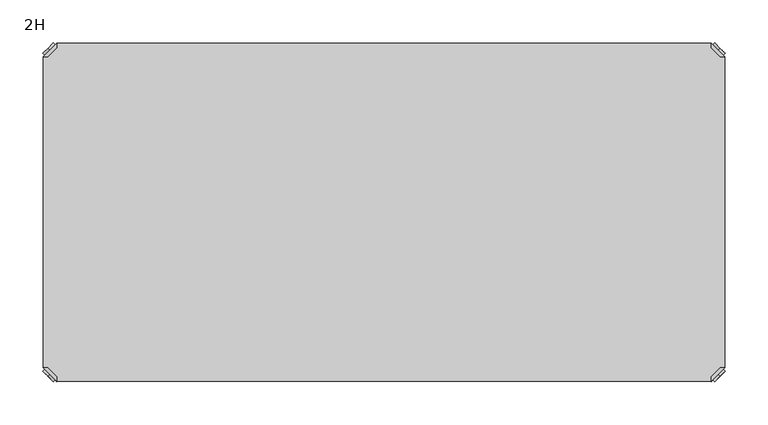
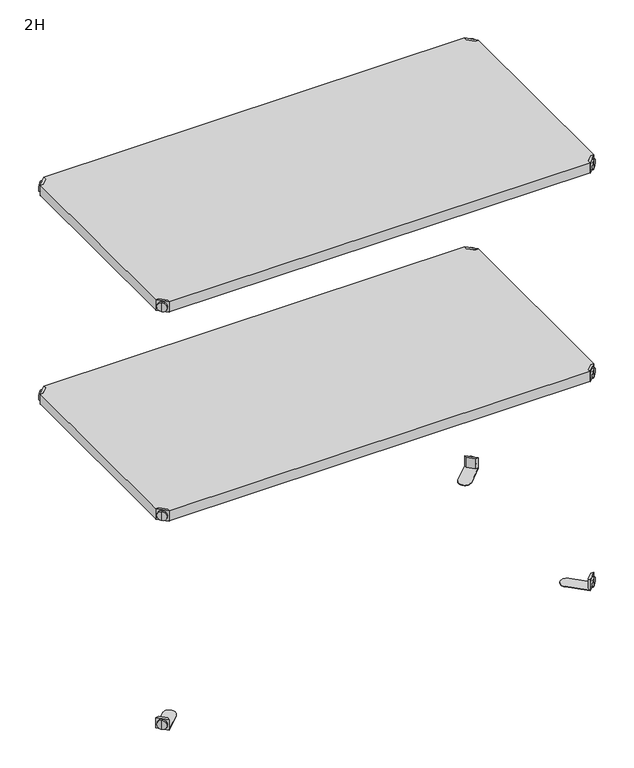
"""IFC4 building model written with IfcOpenShell, lengths in millimetres: furniture geometry, 2H."""

from ifc_helpers import new_model, si_unit, frame, origin, place, context, project, spatial, polyline, circle_curve, outline, extrude, source, transform, mapped, element, save
from ifc_brep_helpers import plane_surface, cylinder_surface, advanced_brep


def furniture_2h_59649669(model_context):
    return source(origin(), model_context, "Body", "SolidModel", [
        advanced_brep(
        [(789.0398449, -10.9601551, 498.5), (789.0398449, -10.9601551, 507.0), (789.0398449, -10.9601551, 515.5), (791.1611652, -8.8388348, 498.5), (791.1611652, -8.8388348, 515.5), (791.1611652, -8.8388348, 507.0)],
        [
            (0, 1),
            (1, 2),
            (2, 0, circle_curve(frame((789.0398449, -10.9601551, 507.0), z_axis=(-0.7071067811865556, -0.7071067811865395, 0.0), x_axis=(0.0, 0.0, 1.0)), 8.5)),
            (0, 2, circle_curve(frame((789.0398449, -10.9601551, 507.0), z_axis=(-0.7071067811865556, -0.7071067811865395, 0.0), x_axis=(0.0, 0.0, 1.0)), 8.5)),
            (3, 0),
            (2, 4),
            (4, 3, circle_curve(frame((791.1611652, -8.8388348, 507.0), z_axis=(-0.7071067811865556, -0.7071067811865395, 0.0), x_axis=(0.0, 0.0, 1.0)), 8.5)),
            (3, 4, circle_curve(frame((791.1611652, -8.8388348, 507.0), z_axis=(-0.7071067811865556, -0.7071067811865395, 0.0), x_axis=(0.0, 0.0, 1.0)), 8.5)),
            (5, 3),
            (4, 5),
        ],
        [
            plane_surface(frame((789.0398449, -10.9601551, 507.0), z_axis=(-0.7071067811865552, -0.7071067811865399, 0.0), x_axis=(0.0, 0.0, 1.0))),
            cylinder_surface(frame((791.1611652, -8.8388348, 507.0), z_axis=(0.7071067811865556, 0.7071067811865395, 0.0), x_axis=(0.0, 0.0, 1.0)), 8.5),
            plane_surface(frame((791.1611652, -8.8388348, 507.0), z_axis=(0.7071067811865552, 0.7071067811865399, 0.0), x_axis=(0.0, 0.0, 1.0))),
        ],
        [
            (0, [[1, 2, 3]]),
            (0, [[-2, -1, 4]]),
            (1, [[5, -3, 6, 7]]),
            (1, [[-6, -4, -5, 8]]),
            (2, [[9, -7, 10]]),
            (2, [[-10, -8, -9]]),
        ],
    ),
        advanced_brep(
        [(781.0796898, -3.0, 517.0), (781.0796898, -8.6568542, 517.0), (791.3431458, -18.9203102, 517.0), (797.0, -18.9203102, 517.0), (797.0, -18.9203102, 498.0), (797.0, -18.9203102, 497.0), (781.0796898, -3.0, 497.0), (781.0796898, -3.0, 498.0), (781.0796898, -8.6568542, 498.0), (791.3431458, -18.9203102, 498.0), (752.2702923, -31.8093975, 498.0), (768.1906025, -47.7297077, 498.0), (768.1906025, -47.7297077, 497.0), (752.2702923, -31.8093975, 497.0)],
        [
            (0, 1),
            (1, 2),
            (2, 3),
            (3, 0),
            (3, 4),
            (4, 5),
            (5, 6),
            (6, 7),
            (7, 0),
            (1, 8),
            (8, 9),
            (9, 2),
            (7, 8),
            (9, 4),
            (7, 10),
            (10, 11, circle_curve(frame((760.2304474, -39.7695526, 498.0), z_axis=(0.0, 0.0, 1.0), x_axis=(-1.0, 0.0, 0.0)), 11.2573593)),
            (11, 4),
            (5, 12),
            (12, 13, circle_curve(frame((760.2304474, -39.7695526, 497.0), z_axis=(0.0, 0.0, -1.0), x_axis=(-1.0, 0.0, 0.0)), 11.2573593)),
            (13, 6),
            (11, 12),
            (10, 13),
        ],
        [
            plane_surface(frame((838.8756299, -60.7959401, 517.0), z_axis=(0.0, 0.0, 1.0000000000000002), x_axis=(0.7071067811865465, -0.7071067811865487, 0.0))),
            plane_surface(frame((781.0796898, -3.0, 517.0), z_axis=(0.7071067811865487, 0.7071067811865465, 0.0), x_axis=(0.0, 0.0, -1.0))),
            plane_surface(frame((791.3431458, -18.9203102, 517.0), z_axis=(-0.7071067811865573, -0.7071067811865377, 0.0), x_axis=(0.0, 0.0, -1.0))),
            plane_surface(frame((781.0796898, -8.6568542, 517.0), z_axis=(-1.0, 0.0, 0.0), x_axis=(0.0, 0.0, -1.0))),
            plane_surface(frame((797.0, -18.9203102, 517.0), z_axis=(0.0, -1.0, 0.0), x_axis=(0.0, 0.0, -1.0))),
            plane_surface(frame((797.0, -18.9203102, 498.0), z_axis=(0.0, 0.0, 1.0), x_axis=(0.7071067811865392, -0.7071067811865558, 0.0))),
            plane_surface(frame((797.0, -18.9203102, 497.0), z_axis=(0.0, 0.0, -1.0), x_axis=(-0.7071067811865392, 0.7071067811865558, 0.0))),
            plane_surface(frame((797.0, -18.9203102, 498.0), z_axis=(0.7071067811865399, -0.7071067811865552, 0.0), x_axis=(0.0, 0.0, -1.0))),
            cylinder_surface(frame((760.2304474, -39.7695526, 497.0), z_axis=(0.0, 0.0, 1.0), x_axis=(-1.0, 0.0, 0.0)), 11.2573593),
            plane_surface(frame((752.2702923, -31.8093975, 498.0), z_axis=(-0.7071067811865388, 0.7071067811865563, 0.0), x_axis=(0.0, 0.0, -1.0))),
        ],
        [
            (0, [[1, 2, 3, 4]]),
            (1, [[5, 6, 7, 8, 9, -4]]),
            (2, [[10, 11, 12, -2]]),
            (3, [[-9, 13, -10, -1]]),
            (4, [[-12, 14, -5, -3]]),
            (5, [[-14, -11, -13, 15, 16, 17]]),
            (6, [[-7, 18, 19, 20]]),
            (7, [[21, -18, -6, -17]]),
            (8, [[22, -19, -21, -16]]),
            (9, [[-8, -20, -22, -15]]),
        ],
    ),
        advanced_brep(
        [(789.0398449, -389.0398449, 498.5), (789.0398449, -389.0398449, 515.5), (789.0398449, -389.0398449, 507.0), (791.1611652, -391.1611652, 498.5), (791.1611652, -391.1611652, 515.5), (791.1611652, -391.1611652, 507.0)],
        [
            (0, 1, circle_curve(frame((789.0398449, -389.0398449, 507.0), z_axis=(-0.7071067811865509, 0.7071067811865441, 0.0), x_axis=(0.0, 0.0, 1.0)), 8.5)),
            (1, 2),
            (2, 0),
            (1, 0, circle_curve(frame((789.0398449, -389.0398449, 507.0), z_axis=(-0.7071067811865509, 0.7071067811865441, 0.0), x_axis=(0.0, 0.0, 1.0)), 8.5)),
            (3, 4, circle_curve(frame((791.1611652, -391.1611652, 507.0), z_axis=(-0.7071067811865509, 0.7071067811865441, 0.0), x_axis=(0.0, 0.0, 1.0)), 8.5)),
            (4, 1),
            (0, 3),
            (4, 3, circle_curve(frame((791.1611652, -391.1611652, 507.0), z_axis=(-0.7071067811865509, 0.7071067811865441, 0.0), x_axis=(0.0, 0.0, 1.0)), 8.5)),
            (5, 4),
            (3, 5),
        ],
        [
            plane_surface(frame((789.0398449, -389.0398449, 507.0), z_axis=(-0.7071067811865506, 0.7071067811865446, 0.0), x_axis=(0.0, 0.0, 1.0))),
            cylinder_surface(frame((791.1611652, -391.1611652, 507.0), z_axis=(0.7071067811865509, -0.7071067811865441, 0.0), x_axis=(0.0, 0.0, 1.0)), 8.5),
            plane_surface(frame((791.1611652, -391.1611652, 507.0), z_axis=(0.7071067811865506, -0.7071067811865446, 0.0), x_axis=(0.0, 0.0, 1.0))),
        ],
        [
            (0, [[1, 2, 3]]),
            (0, [[4, -3, -2]]),
            (1, [[5, 6, -1, 7]]),
            (1, [[8, -7, -4, -6]]),
            (2, [[9, -5, 10]]),
            (2, [[-10, -8, -9]]),
        ],
    ),
        advanced_brep(
        [(781.0796898, -397.0, 517.0), (797.0, -381.0796898, 517.0), (791.3431458, -381.0796898, 517.0), (781.0796898, -391.3431458, 517.0), (781.0796898, -397.0, 498.0), (781.0796898, -397.0, 497.0), (797.0, -381.0796898, 497.0), (797.0, -381.0796898, 498.0), (791.3431458, -381.0796898, 498.0), (781.0796898, -391.3431458, 498.0), (768.1906025, -352.2702923, 498.0), (752.2702923, -368.1906025, 498.0), (752.2702923, -368.1906025, 497.0), (768.1906025, -352.2702923, 497.0)],
        [
            (0, 1),
            (1, 2),
            (2, 3),
            (3, 0),
            (0, 4),
            (4, 5),
            (5, 6),
            (6, 7),
            (7, 1),
            (2, 8),
            (8, 9),
            (9, 3),
            (9, 4),
            (7, 8),
            (7, 10),
            (10, 11, circle_curve(frame((760.2304474, -360.2304474, 498.0), z_axis=(0.0, 0.0, 1.0), x_axis=(-1.0, 0.0, 0.0)), 11.2573593)),
            (11, 4),
            (5, 12),
            (12, 13, circle_curve(frame((760.2304474, -360.2304474, 497.0), z_axis=(0.0, 0.0, -1.0), x_axis=(-1.0, 0.0, 0.0)), 11.2573593)),
            (13, 6),
            (13, 10),
            (12, 11),
        ],
        [
            plane_surface(frame((838.8756299, -339.2040599, 517.0), z_axis=(0.0, 0.0, 1.0000000000000002), x_axis=(0.7071067811865511, 0.707106781186544, 0.0))),
            plane_surface(frame((781.0796898, -397.0, 517.0), z_axis=(0.707106781186544, -0.7071067811865511, 0.0), x_axis=(0.0, 0.0, -1.0))),
            plane_surface(frame((791.3431458, -381.0796898, 517.0), z_axis=(-0.7071067811865527, 0.7071067811865424, 0.0), x_axis=(0.0, 0.0, -1.0))),
            plane_surface(frame((781.0796898, -391.3431458, 517.0), z_axis=(-1.0, 0.0, 0.0), x_axis=(0.0, 0.0, -1.0))),
            plane_surface(frame((797.0, -381.0796898, 517.0), z_axis=(0.0, 1.0, 0.0), x_axis=(0.0, 0.0, -1.0))),
            plane_surface(frame((797.0, -381.0796898, 498.0), z_axis=(0.0, 0.0, 1.0), x_axis=(0.7071067811865439, 0.7071067811865511, 0.0))),
            plane_surface(frame((797.0, -381.0796898, 497.0), z_axis=(0.0, 0.0, -1.0), x_axis=(-0.7071067811865439, -0.7071067811865511, 0.0))),
            plane_surface(frame((797.0, -381.0796898, 498.0), z_axis=(0.7071067811865446, 0.7071067811865506, 0.0), x_axis=(0.0, 0.0, -1.0))),
            cylinder_surface(frame((760.2304474, -360.2304474, 497.0), z_axis=(0.0, 0.0, 1.0), x_axis=(-1.0, 0.0, 0.0)), 11.2573593),
            plane_surface(frame((752.2702923, -368.1906025, 498.0), z_axis=(-0.7071067811865435, -0.7071067811865517, 0.0), x_axis=(0.0, 0.0, -1.0))),
        ],
        [
            (0, [[1, 2, 3, 4]]),
            (1, [[-1, 5, 6, 7, 8, 9]]),
            (2, [[-3, 10, 11, 12]]),
            (3, [[-4, -12, 13, -5]]),
            (4, [[-2, -9, 14, -10]]),
            (5, [[15, 16, 17, -13, -11, -14]]),
            (6, [[18, 19, 20, -7]]),
            (7, [[-15, -8, -20, 21]]),
            (8, [[-16, -21, -19, 22]]),
            (9, [[-17, -22, -18, -6]]),
        ],
    ),
        advanced_brep(
        [(10.9601551, -389.0398449, 498.5), (10.9601551, -389.0398449, 507.0), (10.9601551, -389.0398449, 515.5), (8.8388348, -391.1611652, 498.5), (8.8388348, -391.1611652, 515.5), (8.8388348, -391.1611652, 507.0)],
        [
            (0, 1),
            (1, 2),
            (2, 0, circle_curve(frame((10.9601551, -389.0398449, 507.0), z_axis=(0.7071067811865509, 0.7071067811865441, 0.0), x_axis=(0.0, 0.0, 1.0)), 8.5)),
            (0, 2, circle_curve(frame((10.9601551, -389.0398449, 507.0), z_axis=(0.7071067811865509, 0.7071067811865441, 0.0), x_axis=(0.0, 0.0, 1.0)), 8.5)),
            (3, 0),
            (2, 4),
            (4, 3, circle_curve(frame((8.8388348, -391.1611652, 507.0), z_axis=(0.7071067811865509, 0.7071067811865441, 0.0), x_axis=(0.0, 0.0, 1.0)), 8.5)),
            (3, 4, circle_curve(frame((8.8388348, -391.1611652, 507.0), z_axis=(0.7071067811865509, 0.7071067811865441, 0.0), x_axis=(0.0, 0.0, 1.0)), 8.5)),
            (5, 3),
            (4, 5),
        ],
        [
            plane_surface(frame((10.9601551, -389.0398449, 507.0), z_axis=(0.7071067811865506, 0.7071067811865446, 0.0), x_axis=(0.0, 0.0, 1.0))),
            cylinder_surface(frame((8.8388348, -391.1611652, 507.0), z_axis=(-0.7071067811865509, -0.7071067811865441, 0.0), x_axis=(0.0, 0.0, 1.0)), 8.5),
            plane_surface(frame((8.8388348, -391.1611652, 507.0), z_axis=(-0.7071067811865506, -0.7071067811865446, 0.0), x_axis=(0.0, 0.0, 1.0))),
        ],
        [
            (0, [[1, 2, 3]]),
            (0, [[-2, -1, 4]]),
            (1, [[5, -3, 6, 7]]),
            (1, [[-6, -4, -5, 8]]),
            (2, [[9, -7, 10]]),
            (2, [[-10, -8, -9]]),
        ],
    ),
        advanced_brep(
        [(18.9203102, -397.0, 517.0), (18.9203102, -391.3431458, 517.0), (8.6568542, -381.0796898, 517.0), (3.0, -381.0796898, 517.0), (3.0, -381.0796898, 498.0), (3.0, -381.0796898, 497.0), (18.9203102, -397.0, 497.0), (18.9203102, -397.0, 498.0), (18.9203102, -391.3431458, 498.0), (8.6568542, -381.0796898, 498.0), (47.7297077, -368.1906025, 498.0), (31.8093975, -352.2702923, 498.0), (31.8093975, -352.2702923, 497.0), (47.7297077, -368.1906025, 497.0)],
        [
            (0, 1),
            (1, 2),
            (2, 3),
            (3, 0),
            (3, 4),
            (4, 5),
            (5, 6),
            (6, 7),
            (7, 0),
            (1, 8),
            (8, 9),
            (9, 2),
            (7, 8),
            (9, 4),
            (7, 10),
            (10, 11, circle_curve(frame((39.7695526, -360.2304474, 498.0), z_axis=(0.0, 0.0, 1.0), x_axis=(1.0, 0.0, 0.0)), 11.2573593)),
            (11, 4),
            (5, 12),
            (12, 13, circle_curve(frame((39.7695526, -360.2304474, 497.0), z_axis=(0.0, 0.0, -1.0), x_axis=(1.0, 0.0, 0.0)), 11.2573593)),
            (13, 6),
            (11, 12),
            (10, 13),
        ],
        [
            plane_surface(frame((-38.8756299, -339.2040599, 517.0), z_axis=(0.0, 0.0, 1.0000000000000002), x_axis=(-0.7071067811865511, 0.707106781186544, 0.0))),
            plane_surface(frame((18.9203102, -397.0, 517.0), z_axis=(-0.707106781186544, -0.7071067811865511, 0.0), x_axis=(0.0, 0.0, -1.0))),
            plane_surface(frame((8.6568542, -381.0796898, 517.0), z_axis=(0.7071067811865527, 0.7071067811865424, 0.0), x_axis=(0.0, 0.0, -1.0))),
            plane_surface(frame((18.9203102, -391.3431458, 517.0), z_axis=(1.0, 0.0, 0.0), x_axis=(0.0, 0.0, -1.0))),
            plane_surface(frame((3.0, -381.0796898, 517.0), z_axis=(0.0, 1.0, 0.0), x_axis=(0.0, 0.0, -1.0))),
            plane_surface(frame((3.0, -381.0796898, 498.0), z_axis=(0.0, 0.0, 1.0), x_axis=(-0.7071067811865439, 0.7071067811865511, 0.0))),
            plane_surface(frame((3.0, -381.0796898, 497.0), z_axis=(0.0, 0.0, -1.0), x_axis=(0.7071067811865439, -0.7071067811865511, 0.0))),
            plane_surface(frame((3.0, -381.0796898, 498.0), z_axis=(-0.7071067811865446, 0.7071067811865506, 0.0), x_axis=(0.0, 0.0, -1.0))),
            cylinder_surface(frame((39.7695526, -360.2304474, 497.0), z_axis=(0.0, 0.0, 1.0), x_axis=(1.0, 0.0, 0.0)), 11.2573593),
            plane_surface(frame((47.7297077, -368.1906025, 498.0), z_axis=(0.7071067811865435, -0.7071067811865517, 0.0), x_axis=(0.0, 0.0, -1.0))),
        ],
        [
            (0, [[1, 2, 3, 4]]),
            (1, [[5, 6, 7, 8, 9, -4]]),
            (2, [[10, 11, 12, -2]]),
            (3, [[-9, 13, -10, -1]]),
            (4, [[-12, 14, -5, -3]]),
            (5, [[-14, -11, -13, 15, 16, 17]]),
            (6, [[-7, 18, 19, 20]]),
            (7, [[21, -18, -6, -17]]),
            (8, [[22, -19, -21, -16]]),
            (9, [[-8, -20, -22, -15]]),
        ],
    ),
        advanced_brep(
        [(10.9601551, -10.9601551, 498.5), (10.9601551, -10.9601551, 515.5), (10.9601551, -10.9601551, 507.0), (8.8388348, -8.8388348, 498.5), (8.8388348, -8.8388348, 515.5), (8.8388348, -8.8388348, 507.0)],
        [
            (0, 1, circle_curve(frame((10.9601551, -10.9601551, 507.0), z_axis=(0.7071067811865464, -0.7071067811865487, 0.0), x_axis=(0.0, 0.0, 1.0)), 8.5)),
            (1, 2),
            (2, 0),
            (1, 0, circle_curve(frame((10.9601551, -10.9601551, 507.0), z_axis=(0.7071067811865464, -0.7071067811865487, 0.0), x_axis=(0.0, 0.0, 1.0)), 8.5)),
            (3, 4, circle_curve(frame((8.8388348, -8.8388348, 507.0), z_axis=(0.7071067811865464, -0.7071067811865487, 0.0), x_axis=(0.0, 0.0, 1.0)), 8.5)),
            (4, 1),
            (0, 3),
            (4, 3, circle_curve(frame((8.8388348, -8.8388348, 507.0), z_axis=(0.7071067811865464, -0.7071067811865487, 0.0), x_axis=(0.0, 0.0, 1.0)), 8.5)),
            (5, 4),
            (3, 5),
        ],
        [
            plane_surface(frame((10.9601551, -10.9601551, 507.0), z_axis=(0.707106781186546, -0.7071067811865491, 0.0), x_axis=(0.0, 0.0, 1.0))),
            cylinder_surface(frame((8.8388348, -8.8388348, 507.0), z_axis=(-0.7071067811865464, 0.7071067811865487, 0.0), x_axis=(0.0, 0.0, 1.0)), 8.5),
            plane_surface(frame((8.8388348, -8.8388348, 507.0), z_axis=(-0.707106781186546, 0.7071067811865491, 0.0), x_axis=(0.0, 0.0, 1.0))),
        ],
        [
            (0, [[1, 2, 3]]),
            (0, [[4, -3, -2]]),
            (1, [[5, 6, -1, 7]]),
            (1, [[8, -7, -4, -6]]),
            (2, [[9, -5, 10]]),
            (2, [[-10, -8, -9]]),
        ],
    ),
        advanced_brep(
        [(18.9203102, -3.0, 517.0), (3.0, -18.9203102, 517.0), (8.6568542, -18.9203102, 517.0), (18.9203102, -8.6568542, 517.0), (18.9203102, -3.0, 498.0), (18.9203102, -3.0, 497.0), (3.0, -18.9203102, 497.0), (3.0, -18.9203102, 498.0), (8.6568542, -18.9203102, 498.0), (18.9203102, -8.6568542, 498.0), (31.8093975, -47.7297077, 498.0), (47.7297077, -31.8093975, 498.0), (47.7297077, -31.8093975, 497.0), (31.8093975, -47.7297077, 497.0)],
        [
            (0, 1),
            (1, 2),
            (2, 3),
            (3, 0),
            (0, 4),
            (4, 5),
            (5, 6),
            (6, 7),
            (7, 1),
            (2, 8),
            (8, 9),
            (9, 3),
            (9, 4),
            (7, 8),
            (7, 10),
            (10, 11, circle_curve(frame((39.7695526, -39.7695526, 498.0), z_axis=(0.0, 0.0, 1.0), x_axis=(1.0, 0.0, 0.0)), 11.2573593)),
            (11, 4),
            (5, 12),
            (12, 13, circle_curve(frame((39.7695526, -39.7695526, 497.0), z_axis=(0.0, 0.0, -1.0), x_axis=(1.0, 0.0, 0.0)), 11.2573593)),
            (13, 6),
            (13, 10),
            (12, 11),
        ],
        [
            plane_surface(frame((-38.8756299, -60.7959401, 517.0), z_axis=(0.0, 0.0, 1.0000000000000002), x_axis=(-0.7071067811865557, -0.7071067811865395, 0.0))),
            plane_surface(frame((18.9203102, -3.0, 517.0), z_axis=(-0.7071067811865395, 0.7071067811865557, 0.0), x_axis=(0.0, 0.0, -1.0))),
            plane_surface(frame((8.6568542, -18.9203102, 517.0), z_axis=(0.7071067811865481, -0.7071067811865469, 0.0), x_axis=(0.0, 0.0, -1.0))),
            plane_surface(frame((18.9203102, -8.6568542, 517.0), z_axis=(1.0, 0.0, 0.0), x_axis=(0.0, 0.0, -1.0))),
            plane_surface(frame((3.0, -18.9203102, 517.0), z_axis=(0.0, -1.0, 0.0), x_axis=(0.0, 0.0, -1.0))),
            plane_surface(frame((3.0, -18.9203102, 498.0), z_axis=(0.0, 0.0, 1.0), x_axis=(-0.7071067811865485, -0.7071067811865466, 0.0))),
            plane_surface(frame((3.0, -18.9203102, 497.0), z_axis=(0.0, 0.0, -1.0), x_axis=(0.7071067811865485, 0.7071067811865466, 0.0))),
            plane_surface(frame((3.0, -18.9203102, 498.0), z_axis=(-0.7071067811865491, -0.707106781186546, 0.0), x_axis=(0.0, 0.0, -1.0))),
            cylinder_surface(frame((39.7695526, -39.7695526, 497.0), z_axis=(0.0, 0.0, 1.0), x_axis=(1.0, 0.0, 0.0)), 11.2573593),
            plane_surface(frame((47.7297077, -31.8093975, 498.0), z_axis=(0.707106781186548, 0.7071067811865471, 0.0), x_axis=(0.0, 0.0, -1.0))),
        ],
        [
            (0, [[1, 2, 3, 4]]),
            (1, [[-1, 5, 6, 7, 8, 9]]),
            (2, [[-3, 10, 11, 12]]),
            (3, [[-4, -12, 13, -5]]),
            (4, [[-2, -9, 14, -10]]),
            (5, [[15, 16, 17, -13, -11, -14]]),
            (6, [[18, 19, 20, -7]]),
            (7, [[-15, -8, -20, 21]]),
            (8, [[-16, -21, -19, 22]]),
            (9, [[-17, -22, -18, -6]]),
        ],
    ),
        extrude(outline(polyline([(781.0796898, -3.0), (781.0796898, -8.6568542), (791.3431458, -18.9203102), (797.0, -18.9203102), (797.0, -381.0796898), (791.3431458, -381.0796898), (781.0796898, -391.3431458), (781.0796898, -397.0), (18.9203102, -397.0), (18.9203102, -391.3431458), (8.6568542, -381.0796898), (3.0, -381.0796898), (3.0, -18.9203102), (8.6568542, -18.9203102), (18.9203102, -8.6568542), (18.9203102, -3.0), (781.0796898, -3.0)])), frame((0.0, 0.0, 498.0), z_axis=(0.0, 0.0, 1.0), x_axis=(1.0, 0.0, 0.0)), (0.0, 0.0, 1.0), 19.0),
        advanced_brep(
        [(789.0398449, -10.9601551, 898.5), (789.0398449, -10.9601551, 907.0), (789.0398449, -10.9601551, 915.5), (791.1611652, -8.8388348, 898.5), (791.1611652, -8.8388348, 915.5), (791.1611652, -8.8388348, 907.0)],
        [
            (0, 1),
            (1, 2),
            (2, 0, circle_curve(frame((789.0398449, -10.9601551, 907.0), z_axis=(-0.7071067811865556, -0.7071067811865395, 0.0), x_axis=(0.0, 0.0, 1.0)), 8.5)),
            (0, 2, circle_curve(frame((789.0398449, -10.9601551, 907.0), z_axis=(-0.7071067811865556, -0.7071067811865395, 0.0), x_axis=(0.0, 0.0, 1.0)), 8.5)),
            (3, 0),
            (2, 4),
            (4, 3, circle_curve(frame((791.1611652, -8.8388348, 907.0), z_axis=(-0.7071067811865556, -0.7071067811865395, 0.0), x_axis=(0.0, 0.0, 1.0)), 8.5)),
            (3, 4, circle_curve(frame((791.1611652, -8.8388348, 907.0), z_axis=(-0.7071067811865556, -0.7071067811865395, 0.0), x_axis=(0.0, 0.0, 1.0)), 8.5)),
            (5, 3),
            (4, 5),
        ],
        [
            plane_surface(frame((789.0398449, -10.9601551, 907.0), z_axis=(-0.7071067811865552, -0.7071067811865399, 0.0), x_axis=(0.0, 0.0, 1.0))),
            cylinder_surface(frame((791.1611652, -8.8388348, 907.0), z_axis=(0.7071067811865556, 0.7071067811865395, 0.0), x_axis=(0.0, 0.0, 1.0)), 8.5),
            plane_surface(frame((791.1611652, -8.8388348, 907.0), z_axis=(0.7071067811865552, 0.7071067811865399, 0.0), x_axis=(0.0, 0.0, 1.0))),
        ],
        [
            (0, [[1, 2, 3]]),
            (0, [[-2, -1, 4]]),
            (1, [[5, -3, 6, 7]]),
            (1, [[-6, -4, -5, 8]]),
            (2, [[9, -7, 10]]),
            (2, [[-10, -8, -9]]),
        ],
    ),
        advanced_brep(
        [(781.0796898, -3.0, 917.0), (781.0796898, -8.6568542, 917.0), (791.3431458, -18.9203102, 917.0), (797.0, -18.9203102, 917.0), (797.0, -18.9203102, 898.0), (797.0, -18.9203102, 897.0), (781.0796898, -3.0, 897.0), (781.0796898, -3.0, 898.0), (781.0796898, -8.6568542, 898.0), (791.3431458, -18.9203102, 898.0), (752.2702923, -31.8093975, 898.0), (768.1906025, -47.7297077, 898.0), (768.1906025, -47.7297077, 897.0), (752.2702923, -31.8093975, 897.0)],
        [
            (0, 1),
            (1, 2),
            (2, 3),
            (3, 0),
            (3, 4),
            (4, 5),
            (5, 6),
            (6, 7),
            (7, 0),
            (1, 8),
            (8, 9),
            (9, 2),
            (7, 8),
            (9, 4),
            (7, 10),
            (10, 11, circle_curve(frame((760.2304474, -39.7695526, 898.0), z_axis=(0.0, 0.0, 1.0), x_axis=(-1.0, 0.0, 0.0)), 11.2573593)),
            (11, 4),
            (5, 12),
            (12, 13, circle_curve(frame((760.2304474, -39.7695526, 897.0), z_axis=(0.0, 0.0, -1.0), x_axis=(-1.0, 0.0, 0.0)), 11.2573593)),
            (13, 6),
            (11, 12),
            (10, 13),
        ],
        [
            plane_surface(frame((838.8756299, -60.7959401, 917.0), z_axis=(0.0, 0.0, 1.0000000000000002), x_axis=(0.7071067811865465, -0.7071067811865487, 0.0))),
            plane_surface(frame((781.0796898, -3.0, 917.0), z_axis=(0.7071067811865487, 0.7071067811865465, 0.0), x_axis=(0.0, 0.0, -1.0))),
            plane_surface(frame((791.3431458, -18.9203102, 917.0), z_axis=(-0.7071067811865573, -0.7071067811865377, 0.0), x_axis=(0.0, 0.0, -1.0))),
            plane_surface(frame((781.0796898, -8.6568542, 917.0), z_axis=(-1.0, 0.0, 0.0), x_axis=(0.0, 0.0, -1.0))),
            plane_surface(frame((797.0, -18.9203102, 917.0), z_axis=(0.0, -1.0, 0.0), x_axis=(0.0, 0.0, -1.0))),
            plane_surface(frame((797.0, -18.9203102, 898.0), z_axis=(0.0, 0.0, 1.0), x_axis=(0.7071067811865392, -0.7071067811865558, 0.0))),
            plane_surface(frame((797.0, -18.9203102, 897.0), z_axis=(0.0, 0.0, -1.0), x_axis=(-0.7071067811865392, 0.7071067811865558, 0.0))),
            plane_surface(frame((797.0, -18.9203102, 898.0), z_axis=(0.7071067811865399, -0.7071067811865552, 0.0), x_axis=(0.0, 0.0, -1.0))),
            cylinder_surface(frame((760.2304474, -39.7695526, 897.0), z_axis=(0.0, 0.0, 1.0), x_axis=(-1.0, 0.0, 0.0)), 11.2573593),
            plane_surface(frame((752.2702923, -31.8093975, 898.0), z_axis=(-0.7071067811865388, 0.7071067811865563, 0.0), x_axis=(0.0, 0.0, -1.0))),
        ],
        [
            (0, [[1, 2, 3, 4]]),
            (1, [[5, 6, 7, 8, 9, -4]]),
            (2, [[10, 11, 12, -2]]),
            (3, [[-9, 13, -10, -1]]),
            (4, [[-12, 14, -5, -3]]),
            (5, [[-14, -11, -13, 15, 16, 17]]),
            (6, [[-7, 18, 19, 20]]),
            (7, [[21, -18, -6, -17]]),
            (8, [[22, -19, -21, -16]]),
            (9, [[-8, -20, -22, -15]]),
        ],
    ),
        advanced_brep(
        [(789.0398449, -389.0398449, 898.5), (789.0398449, -389.0398449, 915.5), (789.0398449, -389.0398449, 907.0), (791.1611652, -391.1611652, 898.5), (791.1611652, -391.1611652, 915.5), (791.1611652, -391.1611652, 907.0)],
        [
            (0, 1, circle_curve(frame((789.0398449, -389.0398449, 907.0), z_axis=(-0.7071067811865509, 0.7071067811865441, 0.0), x_axis=(0.0, 0.0, 1.0)), 8.5)),
            (1, 2),
            (2, 0),
            (1, 0, circle_curve(frame((789.0398449, -389.0398449, 907.0), z_axis=(-0.7071067811865509, 0.7071067811865441, 0.0), x_axis=(0.0, 0.0, 1.0)), 8.5)),
            (3, 4, circle_curve(frame((791.1611652, -391.1611652, 907.0), z_axis=(-0.7071067811865509, 0.7071067811865441, 0.0), x_axis=(0.0, 0.0, 1.0)), 8.5)),
            (4, 1),
            (0, 3),
            (4, 3, circle_curve(frame((791.1611652, -391.1611652, 907.0), z_axis=(-0.7071067811865509, 0.7071067811865441, 0.0), x_axis=(0.0, 0.0, 1.0)), 8.5)),
            (5, 4),
            (3, 5),
        ],
        [
            plane_surface(frame((789.0398449, -389.0398449, 907.0), z_axis=(-0.7071067811865506, 0.7071067811865446, 0.0), x_axis=(0.0, 0.0, 1.0))),
            cylinder_surface(frame((791.1611652, -391.1611652, 907.0), z_axis=(0.7071067811865509, -0.7071067811865441, 0.0), x_axis=(0.0, 0.0, 1.0)), 8.5),
            plane_surface(frame((791.1611652, -391.1611652, 907.0), z_axis=(0.7071067811865506, -0.7071067811865446, 0.0), x_axis=(0.0, 0.0, 1.0))),
        ],
        [
            (0, [[1, 2, 3]]),
            (0, [[4, -3, -2]]),
            (1, [[5, 6, -1, 7]]),
            (1, [[8, -7, -4, -6]]),
            (2, [[9, -5, 10]]),
            (2, [[-10, -8, -9]]),
        ],
    ),
        advanced_brep(
        [(781.0796898, -397.0, 917.0), (797.0, -381.0796898, 917.0), (791.3431458, -381.0796898, 917.0), (781.0796898, -391.3431458, 917.0), (781.0796898, -397.0, 898.0), (781.0796898, -397.0, 897.0), (797.0, -381.0796898, 897.0), (797.0, -381.0796898, 898.0), (791.3431458, -381.0796898, 898.0), (781.0796898, -391.3431458, 898.0), (768.1906025, -352.2702923, 898.0), (752.2702923, -368.1906025, 898.0), (752.2702923, -368.1906025, 897.0), (768.1906025, -352.2702923, 897.0)],
        [
            (0, 1),
            (1, 2),
            (2, 3),
            (3, 0),
            (0, 4),
            (4, 5),
            (5, 6),
            (6, 7),
            (7, 1),
            (2, 8),
            (8, 9),
            (9, 3),
            (9, 4),
            (7, 8),
            (7, 10),
            (10, 11, circle_curve(frame((760.2304474, -360.2304474, 898.0), z_axis=(0.0, 0.0, 1.0), x_axis=(-1.0, 0.0, 0.0)), 11.2573593)),
            (11, 4),
            (5, 12),
            (12, 13, circle_curve(frame((760.2304474, -360.2304474, 897.0), z_axis=(0.0, 0.0, -1.0), x_axis=(-1.0, 0.0, 0.0)), 11.2573593)),
            (13, 6),
            (13, 10),
            (12, 11),
        ],
        [
            plane_surface(frame((838.8756299, -339.2040599, 917.0), z_axis=(0.0, 0.0, 1.0000000000000002), x_axis=(0.7071067811865511, 0.707106781186544, 0.0))),
            plane_surface(frame((781.0796898, -397.0, 917.0), z_axis=(0.707106781186544, -0.7071067811865511, 0.0), x_axis=(0.0, 0.0, -1.0))),
            plane_surface(frame((791.3431458, -381.0796898, 917.0), z_axis=(-0.7071067811865527, 0.7071067811865424, 0.0), x_axis=(0.0, 0.0, -1.0))),
            plane_surface(frame((781.0796898, -391.3431458, 917.0), z_axis=(-1.0, 0.0, 0.0), x_axis=(0.0, 0.0, -1.0))),
            plane_surface(frame((797.0, -381.0796898, 917.0), z_axis=(0.0, 1.0, 0.0), x_axis=(0.0, 0.0, -1.0))),
            plane_surface(frame((797.0, -381.0796898, 898.0), z_axis=(0.0, 0.0, 1.0), x_axis=(0.7071067811865439, 0.7071067811865511, 0.0))),
            plane_surface(frame((797.0, -381.0796898, 897.0), z_axis=(0.0, 0.0, -1.0), x_axis=(-0.7071067811865439, -0.7071067811865511, 0.0))),
            plane_surface(frame((797.0, -381.0796898, 898.0), z_axis=(0.7071067811865446, 0.7071067811865506, 0.0), x_axis=(0.0, 0.0, -1.0))),
            cylinder_surface(frame((760.2304474, -360.2304474, 897.0), z_axis=(0.0, 0.0, 1.0), x_axis=(-1.0, 0.0, 0.0)), 11.2573593),
            plane_surface(frame((752.2702923, -368.1906025, 898.0), z_axis=(-0.7071067811865435, -0.7071067811865517, 0.0), x_axis=(0.0, 0.0, -1.0))),
        ],
        [
            (0, [[1, 2, 3, 4]]),
            (1, [[-1, 5, 6, 7, 8, 9]]),
            (2, [[-3, 10, 11, 12]]),
            (3, [[-4, -12, 13, -5]]),
            (4, [[-2, -9, 14, -10]]),
            (5, [[15, 16, 17, -13, -11, -14]]),
            (6, [[18, 19, 20, -7]]),
            (7, [[-15, -8, -20, 21]]),
            (8, [[-16, -21, -19, 22]]),
            (9, [[-17, -22, -18, -6]]),
        ],
    ),
        advanced_brep(
        [(10.9601551, -389.0398449, 898.5), (10.9601551, -389.0398449, 907.0), (10.9601551, -389.0398449, 915.5), (8.8388348, -391.1611652, 898.5), (8.8388348, -391.1611652, 915.5), (8.8388348, -391.1611652, 907.0)],
        [
            (0, 1),
            (1, 2),
            (2, 0, circle_curve(frame((10.9601551, -389.0398449, 907.0), z_axis=(0.7071067811865509, 0.7071067811865441, 0.0), x_axis=(0.0, 0.0, 1.0)), 8.5)),
            (0, 2, circle_curve(frame((10.9601551, -389.0398449, 907.0), z_axis=(0.7071067811865509, 0.7071067811865441, 0.0), x_axis=(0.0, 0.0, 1.0)), 8.5)),
            (3, 0),
            (2, 4),
            (4, 3, circle_curve(frame((8.8388348, -391.1611652, 907.0), z_axis=(0.7071067811865509, 0.7071067811865441, 0.0), x_axis=(0.0, 0.0, 1.0)), 8.5)),
            (3, 4, circle_curve(frame((8.8388348, -391.1611652, 907.0), z_axis=(0.7071067811865509, 0.7071067811865441, 0.0), x_axis=(0.0, 0.0, 1.0)), 8.5)),
            (5, 3),
            (4, 5),
        ],
        [
            plane_surface(frame((10.9601551, -389.0398449, 907.0), z_axis=(0.7071067811865506, 0.7071067811865446, 0.0), x_axis=(0.0, 0.0, 1.0))),
            cylinder_surface(frame((8.8388348, -391.1611652, 907.0), z_axis=(-0.7071067811865509, -0.7071067811865441, 0.0), x_axis=(0.0, 0.0, 1.0)), 8.5),
            plane_surface(frame((8.8388348, -391.1611652, 907.0), z_axis=(-0.7071067811865506, -0.7071067811865446, 0.0), x_axis=(0.0, 0.0, 1.0))),
        ],
        [
            (0, [[1, 2, 3]]),
            (0, [[-2, -1, 4]]),
            (1, [[5, -3, 6, 7]]),
            (1, [[-6, -4, -5, 8]]),
            (2, [[9, -7, 10]]),
            (2, [[-10, -8, -9]]),
        ],
    ),
        advanced_brep(
        [(18.9203102, -397.0, 917.0), (18.9203102, -391.3431458, 917.0), (8.6568542, -381.0796898, 917.0), (3.0, -381.0796898, 917.0), (3.0, -381.0796898, 898.0), (3.0, -381.0796898, 897.0), (18.9203102, -397.0, 897.0), (18.9203102, -397.0, 898.0), (18.9203102, -391.3431458, 898.0), (8.6568542, -381.0796898, 898.0), (47.7297077, -368.1906025, 898.0), (31.8093975, -352.2702923, 898.0), (31.8093975, -352.2702923, 897.0), (47.7297077, -368.1906025, 897.0)],
        [
            (0, 1),
            (1, 2),
            (2, 3),
            (3, 0),
            (3, 4),
            (4, 5),
            (5, 6),
            (6, 7),
            (7, 0),
            (1, 8),
            (8, 9),
            (9, 2),
            (7, 8),
            (9, 4),
            (7, 10),
            (10, 11, circle_curve(frame((39.7695526, -360.2304474, 898.0), z_axis=(0.0, 0.0, 1.0), x_axis=(1.0, 0.0, 0.0)), 11.2573593)),
            (11, 4),
            (5, 12),
            (12, 13, circle_curve(frame((39.7695526, -360.2304474, 897.0), z_axis=(0.0, 0.0, -1.0), x_axis=(1.0, 0.0, 0.0)), 11.2573593)),
            (13, 6),
            (11, 12),
            (10, 13),
        ],
        [
            plane_surface(frame((-38.8756299, -339.2040599, 917.0), z_axis=(0.0, 0.0, 1.0000000000000002), x_axis=(-0.7071067811865511, 0.707106781186544, 0.0))),
            plane_surface(frame((18.9203102, -397.0, 917.0), z_axis=(-0.707106781186544, -0.7071067811865511, 0.0), x_axis=(0.0, 0.0, -1.0))),
            plane_surface(frame((8.6568542, -381.0796898, 917.0), z_axis=(0.7071067811865527, 0.7071067811865424, 0.0), x_axis=(0.0, 0.0, -1.0))),
            plane_surface(frame((18.9203102, -391.3431458, 917.0), z_axis=(1.0, 0.0, 0.0), x_axis=(0.0, 0.0, -1.0))),
            plane_surface(frame((3.0, -381.0796898, 917.0), z_axis=(0.0, 1.0, 0.0), x_axis=(0.0, 0.0, -1.0))),
            plane_surface(frame((3.0, -381.0796898, 898.0), z_axis=(0.0, 0.0, 1.0), x_axis=(-0.7071067811865439, 0.7071067811865511, 0.0))),
            plane_surface(frame((3.0, -381.0796898, 897.0), z_axis=(0.0, 0.0, -1.0), x_axis=(0.7071067811865439, -0.7071067811865511, 0.0))),
            plane_surface(frame((3.0, -381.0796898, 898.0), z_axis=(-0.7071067811865446, 0.7071067811865506, 0.0), x_axis=(0.0, 0.0, -1.0))),
            cylinder_surface(frame((39.7695526, -360.2304474, 897.0), z_axis=(0.0, 0.0, 1.0), x_axis=(1.0, 0.0, 0.0)), 11.2573593),
            plane_surface(frame((47.7297077, -368.1906025, 898.0), z_axis=(0.7071067811865435, -0.7071067811865517, 0.0), x_axis=(0.0, 0.0, -1.0))),
        ],
        [
            (0, [[1, 2, 3, 4]]),
            (1, [[5, 6, 7, 8, 9, -4]]),
            (2, [[10, 11, 12, -2]]),
            (3, [[-9, 13, -10, -1]]),
            (4, [[-12, 14, -5, -3]]),
            (5, [[-14, -11, -13, 15, 16, 17]]),
            (6, [[-7, 18, 19, 20]]),
            (7, [[21, -18, -6, -17]]),
            (8, [[22, -19, -21, -16]]),
            (9, [[-8, -20, -22, -15]]),
        ],
    ),
        advanced_brep(
        [(10.9601551, -10.9601551, 898.5), (10.9601551, -10.9601551, 915.5), (10.9601551, -10.9601551, 907.0), (8.8388348, -8.8388348, 898.5), (8.8388348, -8.8388348, 915.5), (8.8388348, -8.8388348, 907.0)],
        [
            (0, 1, circle_curve(frame((10.9601551, -10.9601551, 907.0), z_axis=(0.7071067811865464, -0.7071067811865487, 0.0), x_axis=(0.0, 0.0, 1.0)), 8.5)),
            (1, 2),
            (2, 0),
            (1, 0, circle_curve(frame((10.9601551, -10.9601551, 907.0), z_axis=(0.7071067811865464, -0.7071067811865487, 0.0), x_axis=(0.0, 0.0, 1.0)), 8.5)),
            (3, 4, circle_curve(frame((8.8388348, -8.8388348, 907.0), z_axis=(0.7071067811865464, -0.7071067811865487, 0.0), x_axis=(0.0, 0.0, 1.0)), 8.5)),
            (4, 1),
            (0, 3),
            (4, 3, circle_curve(frame((8.8388348, -8.8388348, 907.0), z_axis=(0.7071067811865464, -0.7071067811865487, 0.0), x_axis=(0.0, 0.0, 1.0)), 8.5)),
            (5, 4),
            (3, 5),
        ],
        [
            plane_surface(frame((10.9601551, -10.9601551, 907.0), z_axis=(0.707106781186546, -0.7071067811865491, 0.0), x_axis=(0.0, 0.0, 1.0))),
            cylinder_surface(frame((8.8388348, -8.8388348, 907.0), z_axis=(-0.7071067811865464, 0.7071067811865487, 0.0), x_axis=(0.0, 0.0, 1.0)), 8.5),
            plane_surface(frame((8.8388348, -8.8388348, 907.0), z_axis=(-0.707106781186546, 0.7071067811865491, 0.0), x_axis=(0.0, 0.0, 1.0))),
        ],
        [
            (0, [[1, 2, 3]]),
            (0, [[4, -3, -2]]),
            (1, [[5, 6, -1, 7]]),
            (1, [[8, -7, -4, -6]]),
            (2, [[9, -5, 10]]),
            (2, [[-10, -8, -9]]),
        ],
    ),
        advanced_brep(
        [(18.9203102, -3.0, 917.0), (3.0, -18.9203102, 917.0), (8.6568542, -18.9203102, 917.0), (18.9203102, -8.6568542, 917.0), (18.9203102, -3.0, 898.0), (18.9203102, -3.0, 897.0), (3.0, -18.9203102, 897.0), (3.0, -18.9203102, 898.0), (8.6568542, -18.9203102, 898.0), (18.9203102, -8.6568542, 898.0), (31.8093975, -47.7297077, 898.0), (47.7297077, -31.8093975, 898.0), (47.7297077, -31.8093975, 897.0), (31.8093975, -47.7297077, 897.0)],
        [
            (0, 1),
            (1, 2),
            (2, 3),
            (3, 0),
            (0, 4),
            (4, 5),
            (5, 6),
            (6, 7),
            (7, 1),
            (2, 8),
            (8, 9),
            (9, 3),
            (9, 4),
            (7, 8),
            (7, 10),
            (10, 11, circle_curve(frame((39.7695526, -39.7695526, 898.0), z_axis=(0.0, 0.0, 1.0), x_axis=(1.0, 0.0, 0.0)), 11.2573593)),
            (11, 4),
            (5, 12),
            (12, 13, circle_curve(frame((39.7695526, -39.7695526, 897.0), z_axis=(0.0, 0.0, -1.0), x_axis=(1.0, 0.0, 0.0)), 11.2573593)),
            (13, 6),
            (13, 10),
            (12, 11),
        ],
        [
            plane_surface(frame((-38.8756299, -60.7959401, 917.0), z_axis=(0.0, 0.0, 1.0000000000000002), x_axis=(-0.7071067811865557, -0.7071067811865395, 0.0))),
            plane_surface(frame((18.9203102, -3.0, 917.0), z_axis=(-0.7071067811865395, 0.7071067811865557, 0.0), x_axis=(0.0, 0.0, -1.0))),
            plane_surface(frame((8.6568542, -18.9203102, 917.0), z_axis=(0.7071067811865481, -0.7071067811865469, 0.0), x_axis=(0.0, 0.0, -1.0))),
            plane_surface(frame((18.9203102, -8.6568542, 917.0), z_axis=(1.0, 0.0, 0.0), x_axis=(0.0, 0.0, -1.0))),
            plane_surface(frame((3.0, -18.9203102, 917.0), z_axis=(0.0, -1.0, 0.0), x_axis=(0.0, 0.0, -1.0))),
            plane_surface(frame((3.0, -18.9203102, 898.0), z_axis=(0.0, 0.0, 1.0), x_axis=(-0.7071067811865485, -0.7071067811865466, 0.0))),
            plane_surface(frame((3.0, -18.9203102, 897.0), z_axis=(0.0, 0.0, -1.0), x_axis=(0.7071067811865485, 0.7071067811865466, 0.0))),
            plane_surface(frame((3.0, -18.9203102, 898.0), z_axis=(-0.7071067811865491, -0.707106781186546, 0.0), x_axis=(0.0, 0.0, -1.0))),
            cylinder_surface(frame((39.7695526, -39.7695526, 897.0), z_axis=(0.0, 0.0, 1.0), x_axis=(1.0, 0.0, 0.0)), 11.2573593),
            plane_surface(frame((47.7297077, -31.8093975, 898.0), z_axis=(0.707106781186548, 0.7071067811865471, 0.0), x_axis=(0.0, 0.0, -1.0))),
        ],
        [
            (0, [[1, 2, 3, 4]]),
            (1, [[-1, 5, 6, 7, 8, 9]]),
            (2, [[-3, 10, 11, 12]]),
            (3, [[-4, -12, 13, -5]]),
            (4, [[-2, -9, 14, -10]]),
            (5, [[15, 16, 17, -13, -11, -14]]),
            (6, [[18, 19, 20, -7]]),
            (7, [[-15, -8, -20, 21]]),
            (8, [[-16, -21, -19, 22]]),
            (9, [[-17, -22, -18, -6]]),
        ],
    ),
        extrude(outline(polyline([(781.0796898, -3.0), (781.0796898, -8.6568542), (791.3431458, -18.9203102), (797.0, -18.9203102), (797.0, -381.0796898), (791.3431458, -381.0796898), (781.0796898, -391.3431458), (781.0796898, -397.0), (18.9203102, -397.0), (18.9203102, -391.3431458), (8.6568542, -381.0796898), (3.0, -381.0796898), (3.0, -18.9203102), (8.6568542, -18.9203102), (18.9203102, -8.6568542), (18.9203102, -3.0), (781.0796898, -3.0)])), frame((0.0, 0.0, 898.0), z_axis=(0.0, 0.0, 1.0), x_axis=(1.0, 0.0, 0.0)), (0.0, 0.0, 1.0), 19.0),
        advanced_brep(
        [(789.0398449, -10.9601551, 98.5), (789.0398449, -10.9601551, 107.0), (789.0398449, -10.9601551, 115.5), (791.1611652, -8.8388348, 98.5), (791.1611652, -8.8388348, 115.5), (791.1611652, -8.8388348, 107.0)],
        [
            (0, 1),
            (1, 2),
            (2, 0, circle_curve(frame((789.0398449, -10.9601551, 107.0), z_axis=(-0.7071067811865556, -0.7071067811865395, 0.0), x_axis=(0.0, 0.0, 1.0)), 8.5)),
            (0, 2, circle_curve(frame((789.0398449, -10.9601551, 107.0), z_axis=(-0.7071067811865556, -0.7071067811865395, 0.0), x_axis=(0.0, 0.0, 1.0)), 8.5)),
            (3, 0),
            (2, 4),
            (4, 3, circle_curve(frame((791.1611652, -8.8388348, 107.0), z_axis=(-0.7071067811865556, -0.7071067811865395, 0.0), x_axis=(0.0, 0.0, 1.0)), 8.5)),
            (3, 4, circle_curve(frame((791.1611652, -8.8388348, 107.0), z_axis=(-0.7071067811865556, -0.7071067811865395, 0.0), x_axis=(0.0, 0.0, 1.0)), 8.5)),
            (5, 3),
            (4, 5),
        ],
        [
            plane_surface(frame((789.0398449, -10.9601551, 107.0), z_axis=(-0.7071067811865552, -0.7071067811865399, 0.0), x_axis=(0.0, 0.0, 1.0))),
            cylinder_surface(frame((791.1611652, -8.8388348, 107.0), z_axis=(0.7071067811865556, 0.7071067811865395, 0.0), x_axis=(0.0, 0.0, 1.0)), 8.5),
            plane_surface(frame((791.1611652, -8.8388348, 107.0), z_axis=(0.7071067811865552, 0.7071067811865399, 0.0), x_axis=(0.0, 0.0, 1.0))),
        ],
        [
            (0, [[1, 2, 3]]),
            (0, [[-2, -1, 4]]),
            (1, [[5, -3, 6, 7]]),
            (1, [[-6, -4, -5, 8]]),
            (2, [[9, -7, 10]]),
            (2, [[-10, -8, -9]]),
        ],
    ),
        advanced_brep(
        [(781.0796898, -3.0, 117.0), (781.0796898, -8.6568542, 117.0), (791.3431458, -18.9203102, 117.0), (797.0, -18.9203102, 117.0), (797.0, -18.9203102, 98.0), (797.0, -18.9203102, 97.0), (781.0796898, -3.0, 97.0), (781.0796898, -3.0, 98.0), (781.0796898, -8.6568542, 98.0), (791.3431458, -18.9203102, 98.0), (752.2702923, -31.8093975, 98.0), (768.1906025, -47.7297077, 98.0), (768.1906025, -47.7297077, 97.0), (752.2702923, -31.8093975, 97.0)],
        [
            (0, 1),
            (1, 2),
            (2, 3),
            (3, 0),
            (3, 4),
            (4, 5),
            (5, 6),
            (6, 7),
            (7, 0),
            (1, 8),
            (8, 9),
            (9, 2),
            (7, 8),
            (9, 4),
            (7, 10),
            (10, 11, circle_curve(frame((760.2304474, -39.7695526, 98.0), z_axis=(0.0, 0.0, 1.0), x_axis=(-1.0, 0.0, 0.0)), 11.2573593)),
            (11, 4),
            (5, 12),
            (12, 13, circle_curve(frame((760.2304474, -39.7695526, 97.0), z_axis=(0.0, 0.0, -1.0), x_axis=(-1.0, 0.0, 0.0)), 11.2573593)),
            (13, 6),
            (11, 12),
            (10, 13),
        ],
        [
            plane_surface(frame((838.8756299, -60.7959401, 117.0), z_axis=(0.0, 0.0, 1.0000000000000002), x_axis=(0.7071067811865465, -0.7071067811865487, 0.0))),
            plane_surface(frame((781.0796898, -3.0, 117.0), z_axis=(0.7071067811865487, 0.7071067811865465, 0.0), x_axis=(0.0, 0.0, -1.0))),
            plane_surface(frame((791.3431458, -18.9203102, 117.0), z_axis=(-0.7071067811865573, -0.7071067811865377, 0.0), x_axis=(0.0, 0.0, -1.0))),
            plane_surface(frame((781.0796898, -8.6568542, 117.0), z_axis=(-1.0, 0.0, 0.0), x_axis=(0.0, 0.0, -1.0))),
            plane_surface(frame((797.0, -18.9203102, 117.0), z_axis=(0.0, -1.0, 0.0), x_axis=(0.0, 0.0, -1.0))),
            plane_surface(frame((797.0, -18.9203102, 98.0), z_axis=(0.0, 0.0, 1.0), x_axis=(0.7071067811865392, -0.7071067811865558, 0.0))),
            plane_surface(frame((797.0, -18.9203102, 97.0), z_axis=(0.0, 0.0, -1.0), x_axis=(-0.7071067811865392, 0.7071067811865558, 0.0))),
            plane_surface(frame((797.0, -18.9203102, 98.0), z_axis=(0.7071067811865399, -0.7071067811865552, 0.0), x_axis=(0.0, 0.0, -1.0))),
            cylinder_surface(frame((760.2304474, -39.7695526, 97.0), z_axis=(0.0, 0.0, 1.0), x_axis=(-1.0, 0.0, 0.0)), 11.2573593),
            plane_surface(frame((752.2702923, -31.8093975, 98.0), z_axis=(-0.7071067811865388, 0.7071067811865563, 0.0), x_axis=(0.0, 0.0, -1.0))),
        ],
        [
            (0, [[1, 2, 3, 4]]),
            (1, [[5, 6, 7, 8, 9, -4]]),
            (2, [[10, 11, 12, -2]]),
            (3, [[-9, 13, -10, -1]]),
            (4, [[-12, 14, -5, -3]]),
            (5, [[-14, -11, -13, 15, 16, 17]]),
            (6, [[-7, 18, 19, 20]]),
            (7, [[21, -18, -6, -17]]),
            (8, [[22, -19, -21, -16]]),
            (9, [[-8, -20, -22, -15]]),
        ],
    ),
        advanced_brep(
        [(789.0398449, -389.0398449, 98.5), (789.0398449, -389.0398449, 115.5), (789.0398449, -389.0398449, 107.0), (791.1611652, -391.1611652, 98.5), (791.1611652, -391.1611652, 115.5), (791.1611652, -391.1611652, 107.0)],
        [
            (0, 1, circle_curve(frame((789.0398449, -389.0398449, 107.0), z_axis=(-0.7071067811865509, 0.7071067811865441, 0.0), x_axis=(0.0, 0.0, 1.0)), 8.5)),
            (1, 2),
            (2, 0),
            (1, 0, circle_curve(frame((789.0398449, -389.0398449, 107.0), z_axis=(-0.7071067811865509, 0.7071067811865441, 0.0), x_axis=(0.0, 0.0, 1.0)), 8.5)),
            (3, 4, circle_curve(frame((791.1611652, -391.1611652, 107.0), z_axis=(-0.7071067811865509, 0.7071067811865441, 0.0), x_axis=(0.0, 0.0, 1.0)), 8.5)),
            (4, 1),
            (0, 3),
            (4, 3, circle_curve(frame((791.1611652, -391.1611652, 107.0), z_axis=(-0.7071067811865509, 0.7071067811865441, 0.0), x_axis=(0.0, 0.0, 1.0)), 8.5)),
            (5, 4),
            (3, 5),
        ],
        [
            plane_surface(frame((789.0398449, -389.0398449, 107.0), z_axis=(-0.7071067811865506, 0.7071067811865446, 0.0), x_axis=(0.0, 0.0, 1.0))),
            cylinder_surface(frame((791.1611652, -391.1611652, 107.0), z_axis=(0.7071067811865509, -0.7071067811865441, 0.0), x_axis=(0.0, 0.0, 1.0)), 8.5),
            plane_surface(frame((791.1611652, -391.1611652, 107.0), z_axis=(0.7071067811865506, -0.7071067811865446, 0.0), x_axis=(0.0, 0.0, 1.0))),
        ],
        [
            (0, [[1, 2, 3]]),
            (0, [[4, -3, -2]]),
            (1, [[5, 6, -1, 7]]),
            (1, [[8, -7, -4, -6]]),
            (2, [[9, -5, 10]]),
            (2, [[-10, -8, -9]]),
        ],
    ),
        advanced_brep(
        [(781.0796898, -397.0, 117.0), (797.0, -381.0796898, 117.0), (791.3431458, -381.0796898, 117.0), (781.0796898, -391.3431458, 117.0), (781.0796898, -397.0, 98.0), (781.0796898, -397.0, 97.0), (797.0, -381.0796898, 97.0), (797.0, -381.0796898, 98.0), (791.3431458, -381.0796898, 98.0), (781.0796898, -391.3431458, 98.0), (768.1906025, -352.2702923, 98.0), (752.2702923, -368.1906025, 98.0), (752.2702923, -368.1906025, 97.0), (768.1906025, -352.2702923, 97.0)],
        [
            (0, 1),
            (1, 2),
            (2, 3),
            (3, 0),
            (0, 4),
            (4, 5),
            (5, 6),
            (6, 7),
            (7, 1),
            (2, 8),
            (8, 9),
            (9, 3),
            (9, 4),
            (7, 8),
            (7, 10),
            (10, 11, circle_curve(frame((760.2304474, -360.2304474, 98.0), z_axis=(0.0, 0.0, 1.0), x_axis=(-1.0, 0.0, 0.0)), 11.2573593)),
            (11, 4),
            (5, 12),
            (12, 13, circle_curve(frame((760.2304474, -360.2304474, 97.0), z_axis=(0.0, 0.0, -1.0), x_axis=(-1.0, 0.0, 0.0)), 11.2573593)),
            (13, 6),
            (13, 10),
            (12, 11),
        ],
        [
            plane_surface(frame((838.8756299, -339.2040599, 117.0), z_axis=(0.0, 0.0, 1.0000000000000002), x_axis=(0.7071067811865511, 0.707106781186544, 0.0))),
            plane_surface(frame((781.0796898, -397.0, 117.0), z_axis=(0.707106781186544, -0.7071067811865511, 0.0), x_axis=(0.0, 0.0, -1.0))),
            plane_surface(frame((791.3431458, -381.0796898, 117.0), z_axis=(-0.7071067811865527, 0.7071067811865424, 0.0), x_axis=(0.0, 0.0, -1.0))),
            plane_surface(frame((781.0796898, -391.3431458, 117.0), z_axis=(-1.0, 0.0, 0.0), x_axis=(0.0, 0.0, -1.0))),
            plane_surface(frame((797.0, -381.0796898, 117.0), z_axis=(0.0, 1.0, 0.0), x_axis=(0.0, 0.0, -1.0))),
            plane_surface(frame((797.0, -381.0796898, 98.0), z_axis=(0.0, 0.0, 1.0), x_axis=(0.7071067811865439, 0.7071067811865511, 0.0))),
            plane_surface(frame((797.0, -381.0796898, 97.0), z_axis=(0.0, 0.0, -1.0), x_axis=(-0.7071067811865439, -0.7071067811865511, 0.0))),
            plane_surface(frame((797.0, -381.0796898, 98.0), z_axis=(0.7071067811865446, 0.7071067811865506, 0.0), x_axis=(0.0, 0.0, -1.0))),
            cylinder_surface(frame((760.2304474, -360.2304474, 97.0), z_axis=(0.0, 0.0, 1.0), x_axis=(-1.0, 0.0, 0.0)), 11.2573593),
            plane_surface(frame((752.2702923, -368.1906025, 98.0), z_axis=(-0.7071067811865435, -0.7071067811865517, 0.0), x_axis=(0.0, 0.0, -1.0))),
        ],
        [
            (0, [[1, 2, 3, 4]]),
            (1, [[-1, 5, 6, 7, 8, 9]]),
            (2, [[-3, 10, 11, 12]]),
            (3, [[-4, -12, 13, -5]]),
            (4, [[-2, -9, 14, -10]]),
            (5, [[15, 16, 17, -13, -11, -14]]),
            (6, [[18, 19, 20, -7]]),
            (7, [[-15, -8, -20, 21]]),
            (8, [[-16, -21, -19, 22]]),
            (9, [[-17, -22, -18, -6]]),
        ],
    ),
        advanced_brep(
        [(10.9601551, -389.0398449, 98.5), (10.9601551, -389.0398449, 107.0), (10.9601551, -389.0398449, 115.5), (8.8388348, -391.1611652, 98.5), (8.8388348, -391.1611652, 115.5), (8.8388348, -391.1611652, 107.0)],
        [
            (0, 1),
            (1, 2),
            (2, 0, circle_curve(frame((10.9601551, -389.0398449, 107.0), z_axis=(0.7071067811865509, 0.7071067811865441, 0.0), x_axis=(0.0, 0.0, 1.0)), 8.5)),
            (0, 2, circle_curve(frame((10.9601551, -389.0398449, 107.0), z_axis=(0.7071067811865509, 0.7071067811865441, 0.0), x_axis=(0.0, 0.0, 1.0)), 8.5)),
            (3, 0),
            (2, 4),
            (4, 3, circle_curve(frame((8.8388348, -391.1611652, 107.0), z_axis=(0.7071067811865509, 0.7071067811865441, 0.0), x_axis=(0.0, 0.0, 1.0)), 8.5)),
            (3, 4, circle_curve(frame((8.8388348, -391.1611652, 107.0), z_axis=(0.7071067811865509, 0.7071067811865441, 0.0), x_axis=(0.0, 0.0, 1.0)), 8.5)),
            (5, 3),
            (4, 5),
        ],
        [
            plane_surface(frame((10.9601551, -389.0398449, 107.0), z_axis=(0.7071067811865506, 0.7071067811865446, 0.0), x_axis=(0.0, 0.0, 1.0))),
            cylinder_surface(frame((8.8388348, -391.1611652, 107.0), z_axis=(-0.7071067811865509, -0.7071067811865441, 0.0), x_axis=(0.0, 0.0, 1.0)), 8.5),
            plane_surface(frame((8.8388348, -391.1611652, 107.0), z_axis=(-0.7071067811865506, -0.7071067811865446, 0.0), x_axis=(0.0, 0.0, 1.0))),
        ],
        [
            (0, [[1, 2, 3]]),
            (0, [[-2, -1, 4]]),
            (1, [[5, -3, 6, 7]]),
            (1, [[-6, -4, -5, 8]]),
            (2, [[9, -7, 10]]),
            (2, [[-10, -8, -9]]),
        ],
    ),
        advanced_brep(
        [(18.9203102, -397.0, 117.0), (18.9203102, -391.3431458, 117.0), (8.6568542, -381.0796898, 117.0), (3.0, -381.0796898, 117.0), (3.0, -381.0796898, 98.0), (3.0, -381.0796898, 97.0), (18.9203102, -397.0, 97.0), (18.9203102, -397.0, 98.0), (18.9203102, -391.3431458, 98.0), (8.6568542, -381.0796898, 98.0), (47.7297077, -368.1906025, 98.0), (31.8093975, -352.2702923, 98.0), (31.8093975, -352.2702923, 97.0), (47.7297077, -368.1906025, 97.0)],
        [
            (0, 1),
            (1, 2),
            (2, 3),
            (3, 0),
            (3, 4),
            (4, 5),
            (5, 6),
            (6, 7),
            (7, 0),
            (1, 8),
            (8, 9),
            (9, 2),
            (7, 8),
            (9, 4),
            (7, 10),
            (10, 11, circle_curve(frame((39.7695526, -360.2304474, 98.0), z_axis=(0.0, 0.0, 1.0), x_axis=(1.0, 0.0, 0.0)), 11.2573593)),
            (11, 4),
            (5, 12),
            (12, 13, circle_curve(frame((39.7695526, -360.2304474, 97.0), z_axis=(0.0, 0.0, -1.0), x_axis=(1.0, 0.0, 0.0)), 11.2573593)),
            (13, 6),
            (11, 12),
            (10, 13),
        ],
        [
            plane_surface(frame((-38.8756299, -339.2040599, 117.0), z_axis=(0.0, 0.0, 1.0000000000000002), x_axis=(-0.7071067811865511, 0.707106781186544, 0.0))),
            plane_surface(frame((18.9203102, -397.0, 117.0), z_axis=(-0.707106781186544, -0.7071067811865511, 0.0), x_axis=(0.0, 0.0, -1.0))),
            plane_surface(frame((8.6568542, -381.0796898, 117.0), z_axis=(0.7071067811865527, 0.7071067811865424, 0.0), x_axis=(0.0, 0.0, -1.0))),
            plane_surface(frame((18.9203102, -391.3431458, 117.0), z_axis=(1.0, 0.0, 0.0), x_axis=(0.0, 0.0, -1.0))),
            plane_surface(frame((3.0, -381.0796898, 117.0), z_axis=(0.0, 1.0, 0.0), x_axis=(0.0, 0.0, -1.0))),
            plane_surface(frame((3.0, -381.0796898, 98.0), z_axis=(0.0, 0.0, 1.0), x_axis=(-0.7071067811865439, 0.7071067811865511, 0.0))),
            plane_surface(frame((3.0, -381.0796898, 97.0), z_axis=(0.0, 0.0, -1.0), x_axis=(0.7071067811865439, -0.7071067811865511, 0.0))),
            plane_surface(frame((3.0, -381.0796898, 98.0), z_axis=(-0.7071067811865446, 0.7071067811865506, 0.0), x_axis=(0.0, 0.0, -1.0))),
            cylinder_surface(frame((39.7695526, -360.2304474, 97.0), z_axis=(0.0, 0.0, 1.0), x_axis=(1.0, 0.0, 0.0)), 11.2573593),
            plane_surface(frame((47.7297077, -368.1906025, 98.0), z_axis=(0.7071067811865435, -0.7071067811865517, 0.0), x_axis=(0.0, 0.0, -1.0))),
        ],
        [
            (0, [[1, 2, 3, 4]]),
            (1, [[5, 6, 7, 8, 9, -4]]),
            (2, [[10, 11, 12, -2]]),
            (3, [[-9, 13, -10, -1]]),
            (4, [[-12, 14, -5, -3]]),
            (5, [[-14, -11, -13, 15, 16, 17]]),
            (6, [[-7, 18, 19, 20]]),
            (7, [[21, -18, -6, -17]]),
            (8, [[22, -19, -21, -16]]),
            (9, [[-8, -20, -22, -15]]),
        ],
    ),
    ])


if __name__ == "__main__":
    model = new_model("IFC4")
    model_context = context("Model", 3, world=origin())
    ifc_project = project(units=[si_unit("LENGTHUNIT", "METRE", prefix="MILLI")], contexts=[model_context])
    site = spatial("IfcSite", under=ifc_project)
    building = spatial("IfcBuilding", under=site)
    placement = place(None, origin())
    furniture_2h_shape = furniture_2h_59649669(model_context)
    element("IfcFurniture", 1, ObjectType="2H", at=placement, inside=building, context=model_context, shape_type="MappedRepresentation", body=[
        mapped(furniture_2h_shape, transform((0.0, 0.0, 0.0), x_axis=(1.0, 0.0, 0.0), y_axis=(0.0, 1.0, 0.0), z_axis=(0.0, 0.0, 1.0))),
    ])
    save(model, "model.ifc")
